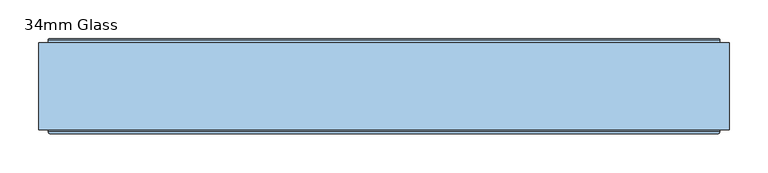
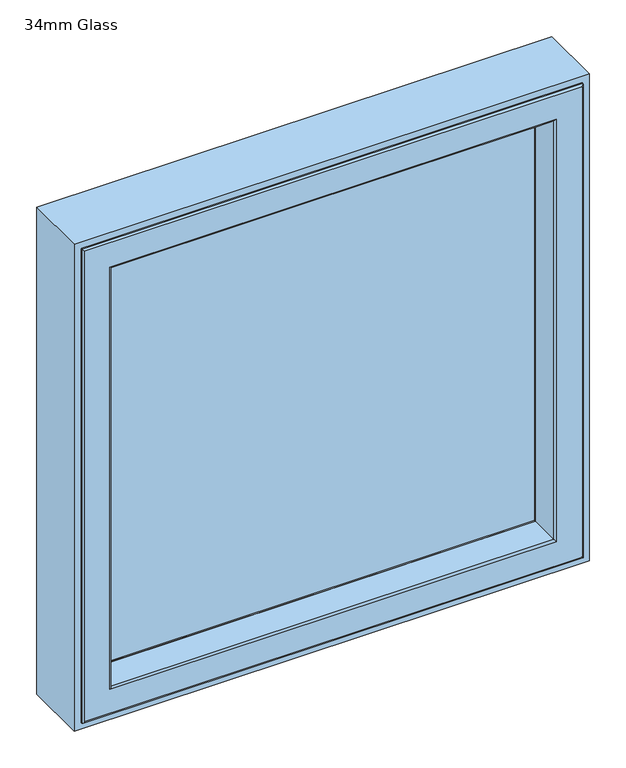
"""IFC4 building model written with IfcOpenShell, lengths in millimetres: window geometry, 34mm Glass."""

from ifc_helpers import new_model, si_unit, frame, origin, place, context, project, spatial, polyline, ellipse_curve, outline, extrude, source, transform, mapped, element, save
from ifc_brep_helpers import plane_surface, cylinder_surface, revolved_surface, advanced_brep


def window_34mm_glass_a87c6142(model_context):
    return source(origin(), model_context, "Body", "SolidModel", [
        extrude(outline(polyline([(396.0, 93.010944), (-396.0, 93.010944), (-396.0, 127.010944), (396.0, 127.010944), (396.0, 93.010944)])), frame((0.0, 0.0, 848.0), z_axis=(0.0, 0.0, 1.0), x_axis=(1.0, 0.0, 0.0)), (0.0, 0.0, 1.0), 792.0),
        advanced_brep(
        [(382.0, 128.3448353, 1626.0), (389.1686313, 151.7923717, 1633.1686313), (389.1686313, 151.7923717, 854.8313687), (382.0, 128.3448353, 862.0), (382.0, 127.010944, 1626.0), (382.0, 127.010944, 862.0), (396.0, 93.0, 1640.0), (396.0, 127.010944, 1640.0), (396.0, 127.010944, 848.0), (396.0, 93.0, 848.0), (382.0, 90.0, 1626.0), (382.0, 93.0, 1626.0), (382.0, 93.0, 862.0), (382.0, 90.0, 862.0), (406.822025, 145.5609347, 1650.822025), (400.0, 90.0, 1644.0), (400.0, 90.0, 844.0), (406.822025, 145.5609347, 837.177975), (407.6, 147.2, 1651.6), (407.6, 147.2, 836.4), (407.6, 150.5, 1651.6), (407.6, 150.5, 836.4), (403.22, 151.5, 1647.22), (403.22, 150.5, 1647.22), (403.22, 150.5, 840.78), (403.22, 151.5, 840.78), (402.22, 152.5, 1646.22), (402.22, 152.5, 841.78), (390.124936, 152.5, 1634.124936), (390.124936, 152.5, 853.875064), (-389.1686313, 151.7923717, 854.8313687), (-382.0, 128.3448353, 862.0), (-382.0, 127.010944, 862.0), (-396.0, 127.010944, 848.0), (-396.0, 93.0, 848.0), (-382.0, 93.0, 862.0), (-382.0, 90.0, 862.0), (-400.0, 90.0, 844.0), (-406.822025, 145.5609347, 837.177975), (-407.6, 147.2, 836.4), (-407.6, 150.5, 836.4), (-403.22, 150.5, 840.78), (-403.22, 151.5, 840.78), (-402.22, 152.5, 841.78), (-390.124936, 152.5, 853.875064), (-389.1686313, 151.7923717, 1633.1686313), (-382.0, 128.3448353, 1626.0), (-382.0, 127.010944, 1626.0), (-396.0, 127.010944, 1640.0), (-396.0, 93.0, 1640.0), (-382.0, 93.0, 1626.0), (-382.0, 90.0, 1626.0), (-400.0, 90.0, 1644.0), (-406.822025, 145.5609347, 1650.822025), (-407.6, 147.2, 1651.6), (-407.6, 150.5, 1651.6), (-403.22, 150.5, 1647.22), (-403.22, 151.5, 1647.22), (-402.22, 152.5, 1646.22), (-390.124936, 152.5, 1634.124936)],
        [
            (0, 1),
            (1, 2),
            (2, 3),
            (3, 0),
            (4, 0),
            (3, 5),
            (5, 4),
            (6, 7),
            (7, 8),
            (8, 9),
            (9, 6),
            (10, 11),
            (11, 12),
            (12, 13),
            (13, 10),
            (14, 15),
            (15, 16),
            (16, 17),
            (17, 14),
            (18, 14),
            (17, 19),
            (19, 18),
            (20, 18),
            (19, 21),
            (21, 20),
            (22, 23),
            (23, 24),
            (24, 25),
            (25, 22),
            (26, 22, ellipse_curve(frame((402.22, 151.5, 1646.22), z_axis=(0.7071067811865475, 0.0, -0.7071067811865475), x_axis=(0.7071067811865474, 0.0, 0.7071067811865476)), 1.4142136, 1.0)),
            (25, 27, ellipse_curve(frame((402.22, 151.5, 841.78), z_axis=(0.7071067811865475, 0.0, 0.7071067811865475), x_axis=(-0.7071067811865474, 0.0, 0.7071067811865476)), 1.4142136, 1.0)),
            (27, 26),
            (1, 28, ellipse_curve(frame((390.124936, 151.5, 1634.124936), z_axis=(0.7071067811865475, 0.0, -0.7071067811865475), x_axis=(0.7071067811865474, 0.0, 0.7071067811865476)), 1.4142136, 1.0)),
            (28, 29),
            (29, 2, ellipse_curve(frame((390.124936, 151.5, 853.875064), z_axis=(0.7071067811865475, 0.0, 0.7071067811865475), x_axis=(-0.7071067811865474, 0.0, 0.7071067811865476)), 1.4142136, 1.0)),
            (2, 30),
            (30, 31),
            (31, 3),
            (31, 32),
            (32, 5),
            (8, 33),
            (33, 34),
            (34, 9),
            (12, 35),
            (35, 36),
            (36, 13),
            (16, 37),
            (37, 38),
            (38, 17),
            (38, 39),
            (39, 19),
            (39, 40),
            (40, 21),
            (24, 41),
            (41, 42),
            (42, 25),
            (42, 43, ellipse_curve(frame((-402.22, 151.5, 841.78), z_axis=(0.7071067811865475, 0.0, -0.7071067811865475), x_axis=(0.7071067811865476, 0.0, 0.7071067811865474)), 1.4142136, 1.0)),
            (43, 27),
            (29, 44),
            (44, 30, ellipse_curve(frame((-390.124936, 151.5, 853.875064), z_axis=(0.7071067811865475, 0.0, -0.7071067811865475), x_axis=(0.7071067811865476, 0.0, 0.7071067811865474)), 1.4142136, 1.0)),
            (30, 45),
            (45, 46),
            (46, 31),
            (46, 47),
            (47, 32),
            (33, 48),
            (48, 49),
            (49, 34),
            (35, 50),
            (50, 51),
            (51, 36),
            (37, 52),
            (52, 53),
            (53, 38),
            (53, 54),
            (54, 39),
            (54, 55),
            (55, 40),
            (41, 56),
            (56, 57),
            (57, 42),
            (57, 58, ellipse_curve(frame((-402.22, 151.5, 1646.22), z_axis=(-0.7071067811865475, 0.0, -0.7071067811865475), x_axis=(0.7071067811865474, 0.0, -0.7071067811865476)), 1.4142136, 1.0)),
            (58, 43),
            (44, 59),
            (59, 45, ellipse_curve(frame((-390.124936, 151.5, 1634.124936), z_axis=(-0.7071067811865475, 0.0, -0.7071067811865475), x_axis=(0.7071067811865474, 0.0, -0.7071067811865476)), 1.4142136, 1.0)),
            (45, 1),
            (0, 46),
            (4, 47),
            (7, 48),
            (6, 49),
            (11, 50),
            (10, 51),
            (15, 52),
            (14, 53),
            (18, 54),
            (20, 55),
            (23, 56),
            (22, 57),
            (26, 58),
            (28, 59),
        ],
        [
            plane_surface(frame((389.1686313, 151.7923717, 1633.1686313), z_axis=(-0.956304755963033, 0.292371704722745, 0.0), x_axis=(0.0, 0.0, -1.0))),
            plane_surface(frame((382.0, 128.3448353, 1626.0), z_axis=(-1.0, 0.0, 0.0), x_axis=(0.0, 0.0, -1.0))),
            plane_surface(frame((396.0, 127.010944, 1640.0), z_axis=(-1.0, 0.0, 0.0), x_axis=(0.0, 0.0, -1.0))),
            plane_surface(frame((382.0, 93.0, 1626.0), z_axis=(-1.0, 0.0, 0.0), x_axis=(0.0, 0.0, -1.0))),
            plane_surface(frame((400.0, 90.0, 1644.0), z_axis=(0.9925461516413232, -0.1218693434051386, 0.0), x_axis=(0.0, 0.0, -1.0))),
            plane_surface(frame((406.822025, 145.5609347, 1650.822025), z_axis=(0.9034015732556399, -0.4287955193786835, 0.0), x_axis=(0.0, 0.0, -1.0))),
            plane_surface(frame((407.6, 147.2, 1651.6), z_axis=(1.0, 0.0, 0.0), x_axis=(0.0, 0.0, -1.0))),
            plane_surface(frame((403.22, 150.5, 1647.22), z_axis=(1.0, 0.0, 0.0), x_axis=(0.0, 0.0, -1.0))),
            cylinder_surface(frame((402.22, 151.5, 1676.0), z_axis=(0.0, 0.0, 1.0), x_axis=(0.0, -1.0, 0.0)), 1.0),
            cylinder_surface(frame((390.124936, 151.5, 1676.0), z_axis=(0.0, 0.0, 1.0), x_axis=(0.0, -1.0, 0.0)), 1.0),
            plane_surface(frame((389.1686313, 151.7923717, 854.8313687), z_axis=(0.0, 0.292371704722745, 0.956304755963033), x_axis=(-1.0, 0.0, 0.0))),
            plane_surface(frame((382.0, 128.3448353, 862.0), z_axis=(0.0, 0.0, 1.0), x_axis=(-1.0, 0.0, 0.0))),
            plane_surface(frame((396.0, 127.010944, 848.0), z_axis=(0.0, 0.0, 1.0), x_axis=(-1.0, 0.0, 0.0))),
            plane_surface(frame((382.0, 93.0, 862.0), z_axis=(0.0, 0.0, 1.0), x_axis=(-1.0, 0.0, 0.0))),
            plane_surface(frame((400.0, 90.0, 844.0), z_axis=(0.0, -0.1218693434051386, -0.9925461516413232), x_axis=(-1.0, 0.0, 0.0))),
            plane_surface(frame((406.822025, 145.5609347, 837.177975), z_axis=(0.0, -0.4287955193786835, -0.9034015732556399), x_axis=(-1.0, 0.0, 0.0))),
            plane_surface(frame((407.6, 147.2, 836.4), z_axis=(0.0, 0.0, -1.0), x_axis=(-1.0, 0.0, 0.0))),
            plane_surface(frame((403.22, 150.5, 840.78), z_axis=(0.0, 0.0, -1.0), x_axis=(-1.0, 0.0, 0.0))),
            cylinder_surface(frame((432.0, 151.5, 841.78), z_axis=(1.0, 0.0, 0.0), x_axis=(0.0, -1.0, 0.0)), 1.0),
            cylinder_surface(frame((432.0, 151.5, 853.875064), z_axis=(1.0, 0.0, 0.0), x_axis=(0.0, -1.0, 0.0)), 1.0),
            plane_surface(frame((-389.1686313, 151.7923717, 854.8313687), z_axis=(0.956304755963033, 0.292371704722745, 0.0), x_axis=(0.0, 0.0, 1.0))),
            plane_surface(frame((-382.0, 128.3448353, 862.0), z_axis=(1.0, 0.0, 0.0), x_axis=(0.0, 0.0, 1.0))),
            plane_surface(frame((-396.0, 127.010944, 848.0), z_axis=(1.0, 0.0, 0.0), x_axis=(0.0, 0.0, 1.0))),
            plane_surface(frame((-382.0, 93.0, 862.0), z_axis=(1.0, 0.0, 0.0), x_axis=(0.0, 0.0, 1.0))),
            plane_surface(frame((-400.0, 90.0, 844.0), z_axis=(-0.9925461516413232, -0.1218693434051386, 0.0), x_axis=(0.0, 0.0, 1.0))),
            plane_surface(frame((-406.822025, 145.5609347, 837.177975), z_axis=(-0.9034015732556399, -0.4287955193786835, 0.0), x_axis=(0.0, 0.0, 1.0))),
            plane_surface(frame((-407.6, 147.2, 836.4), z_axis=(-1.0, 0.0, 0.0), x_axis=(0.0, 0.0, 1.0))),
            plane_surface(frame((-403.22, 150.5, 840.78), z_axis=(-1.0, 0.0, 0.0), x_axis=(0.0, 0.0, 1.0))),
            cylinder_surface(frame((-402.22, 151.5, 812.0), z_axis=(0.0, 0.0, -1.0), x_axis=(0.0, -1.0, 0.0)), 1.0),
            cylinder_surface(frame((-390.124936, 151.5, 812.0), z_axis=(0.0, 0.0, -1.0), x_axis=(0.0, -1.0, 0.0)), 1.0),
            plane_surface(frame((-389.1686313, 151.7923717, 1633.1686313), z_axis=(0.0, 0.292371704722745, -0.956304755963033), x_axis=(1.0, 0.0, 0.0))),
            plane_surface(frame((-382.0, 128.3448353, 1626.0), z_axis=(0.0, 0.0, -1.0), x_axis=(1.0, 0.0, 0.0))),
            plane_surface(frame((-382.0, 127.010944, 1626.0), z_axis=(0.0, -1.0, 0.0), x_axis=(1.0, 0.0, 0.0))),
            plane_surface(frame((-396.0, 127.010944, 1640.0), z_axis=(0.0, 0.0, -1.0), x_axis=(1.0, 0.0, 0.0))),
            plane_surface(frame((-396.0, 93.0, 1640.0), z_axis=(0.0, 1.0, 0.0), x_axis=(1.0, 0.0, 0.0))),
            plane_surface(frame((-382.0, 93.0, 1626.0), z_axis=(0.0, 0.0, -1.0), x_axis=(1.0, 0.0, 0.0))),
            plane_surface(frame((-382.0, 90.0, 1626.0), z_axis=(0.0, -1.0, 0.0), x_axis=(1.0, 0.0, 0.0))),
            plane_surface(frame((-400.0, 90.0, 1644.0), z_axis=(0.0, -0.1218693434051386, 0.9925461516413232), x_axis=(1.0, 0.0, 0.0))),
            plane_surface(frame((-406.822025, 145.5609347, 1650.822025), z_axis=(0.0, -0.4287955193786835, 0.9034015732556399), x_axis=(1.0, 0.0, 0.0))),
            plane_surface(frame((-407.6, 147.2, 1651.6), z_axis=(0.0, 0.0, 1.0), x_axis=(1.0, 0.0, 0.0))),
            plane_surface(frame((-407.6, 150.5, 1651.6), z_axis=(0.0, 1.0, 0.0), x_axis=(1.0, 0.0, 0.0))),
            plane_surface(frame((-403.22, 150.5, 1647.22), z_axis=(0.0, 0.0, 1.0), x_axis=(1.0, 0.0, 0.0))),
            cylinder_surface(frame((-432.0, 151.5, 1646.22), z_axis=(-1.0, 0.0, 0.0), x_axis=(0.0, -1.0, 0.0)), 1.0),
            plane_surface(frame((-402.22, 152.5, 1646.22), z_axis=(0.0, 1.0, 0.0), x_axis=(1.0, 0.0, 0.0))),
            cylinder_surface(frame((-432.0, 151.5, 1634.124936), z_axis=(-1.0, 0.0, 0.0), x_axis=(0.0, -1.0, 0.0)), 1.0),
        ],
        [
            (0, [[1, 2, 3, 4]]),
            (1, [[5, -4, 6, 7]]),
            (2, [[8, 9, 10, 11]]),
            (3, [[12, 13, 14, 15]]),
            (4, [[16, 17, 18, 19]]),
            (5, [[20, -19, 21, 22]]),
            (6, [[23, -22, 24, 25]]),
            (7, [[26, 27, 28, 29]]),
            (8, [[30, -29, 31, 32]]),
            (9, [[33, 34, 35, -2]]),
            (10, [[-3, 36, 37, 38]]),
            (11, [[-6, -38, 39, 40]]),
            (12, [[-10, 41, 42, 43]]),
            (13, [[-14, 44, 45, 46]]),
            (14, [[-18, 47, 48, 49]]),
            (15, [[-21, -49, 50, 51]]),
            (16, [[-24, -51, 52, 53]]),
            (17, [[-28, 54, 55, 56]]),
            (18, [[-31, -56, 57, 58]]),
            (19, [[-35, 59, 60, -36]]),
            (20, [[-37, 61, 62, 63]]),
            (21, [[-39, -63, 64, 65]]),
            (22, [[-42, 66, 67, 68]]),
            (23, [[-45, 69, 70, 71]]),
            (24, [[-48, 72, 73, 74]]),
            (25, [[-50, -74, 75, 76]]),
            (26, [[-52, -76, 77, 78]]),
            (27, [[-55, 79, 80, 81]]),
            (28, [[-57, -81, 82, 83]]),
            (29, [[-60, 84, 85, -61]]),
            (30, [[-62, 86, -1, 87]]),
            (31, [[-64, -87, -5, 88]]),
            (32, [[89, -66, -41, -9], [-40, -65, -88, -7]]),
            (33, [[-67, -89, -8, 90]]),
            (34, [[-43, -68, -90, -11], [91, -69, -44, -13]]),
            (35, [[-70, -91, -12, 92]]),
            (36, [[93, -72, -47, -17], [-46, -71, -92, -15]]),
            (37, [[-73, -93, -16, 94]]),
            (38, [[-75, -94, -20, 95]]),
            (39, [[-77, -95, -23, 96]]),
            (40, [[-53, -78, -96, -25], [97, -79, -54, -27]]),
            (41, [[-80, -97, -26, 98]]),
            (42, [[-82, -98, -30, 99]]),
            (43, [[-58, -83, -99, -32], [100, -84, -59, -34]]),
            (44, [[-85, -100, -33, -86]]),
        ],
    ),
        advanced_brep(
        [(-383.5, 91.0, 1627.5), (-382.0, 89.5, 1626.0), (-382.0, 89.5, 862.0), (-383.5, 91.0, 860.5), (-382.0, 35.0, 1626.0), (-382.0, 35.0, 862.0), (382.0, 89.5, 862.0), (383.5, 91.0, 860.5), (398.6498733, 91.0, 1642.6498733), (398.6498733, 91.0, 845.3501267), (-398.6498733, 91.0, 845.3501267), (-398.6498733, 91.0, 1642.6498733), (383.5, 91.0, 1627.5), (-400.1386925, 92.317196, 1644.1386925), (-400.1386925, 92.317196, 843.8613075), (400.1386925, 92.317196, 843.8613075), (-406.7857488, 146.453125, 1650.7857488), (-406.7857488, 146.453125, 837.2142512), (406.7857488, 146.453125, 837.2142512), (407.6, 146.453125, 1651.6), (407.6, 146.453125, 836.4), (-407.6, 146.453125, 836.4), (-407.6, 146.453125, 1651.6), (406.7857488, 146.453125, 1650.7857488), (-407.6, 153.0, 1651.6), (-407.6, 153.0, 836.4), (407.6, 153.0, 836.4), (-408.6, 154.0, 1652.6), (-408.6, 154.0, 835.4), (408.6, 154.0, 835.4), (431.0, 154.0, 1675.0), (431.0, 154.0, 813.0), (-431.0, 154.0, 813.0), (-431.0, 154.0, 1675.0), (408.6, 154.0, 1652.6), (-432.0, 153.0, 1676.0), (-432.0, 153.0, 812.0), (432.0, 153.0, 812.0), (-432.0, 35.0, 1676.0), (-432.0, 35.0, 812.0), (432.0, 35.0, 812.0), (-429.0, 32.0, 1673.0), (-429.0, 32.0, 815.0), (429.0, 32.0, 815.0), (429.0, 32.0, 1673.0), (385.0, 32.0, 1629.0), (385.0, 32.0, 859.0), (-385.0, 32.0, 859.0), (-385.0, 32.0, 1629.0), (382.0, 35.0, 862.0), (382.0, 89.5, 1626.0), (400.1386925, 92.317196, 1644.1386925), (407.6, 153.0, 1651.6), (432.0, 153.0, 1676.0), (432.0, 35.0, 1676.0), (382.0, 35.0, 1626.0)],
        [
            (0, 1, ellipse_curve(frame((-383.5, 89.5, 1627.5), z_axis=(-0.7071067811865475, 0.0, -0.7071067811865475), x_axis=(-0.7071067811865474, 0.0, 0.7071067811865476)), 2.1213203, 1.5)),
            (1, 2),
            (2, 3, ellipse_curve(frame((-383.5, 89.5, 860.5), z_axis=(-0.7071067811865475, 0.0, 0.7071067811865475), x_axis=(0.7071067811865474, 0.0, 0.7071067811865476)), 2.1213203, 1.5)),
            (3, 0),
            (1, 4),
            (4, 5),
            (5, 2),
            (2, 6),
            (6, 7, ellipse_curve(frame((383.5, 89.5, 860.5), z_axis=(-0.7071067811865475, 0.0, -0.7071067811865475), x_axis=(-0.7071067811865476, 0.0, 0.7071067811865474)), 2.1213203, 1.5)),
            (7, 3),
            (8, 9),
            (9, 10),
            (10, 11),
            (11, 8),
            (7, 12),
            (12, 0),
            (13, 11, ellipse_curve(frame((-398.6498733, 92.5, 1642.6498733), z_axis=(0.7071067811865475, 0.0, 0.7071067811865475), x_axis=(0.7071067811865474, 0.0, -0.7071067811865476)), 2.1213203, 1.5)),
            (10, 14, ellipse_curve(frame((-398.6498733, 92.5, 845.3501267), z_axis=(0.7071067811865475, 0.0, -0.7071067811865475), x_axis=(-0.7071067811865474, 0.0, -0.7071067811865476)), 2.1213203, 1.5)),
            (14, 13),
            (9, 15, ellipse_curve(frame((398.6498733, 92.5, 845.3501267), z_axis=(0.7071067811865475, 0.0, 0.7071067811865475), x_axis=(0.7071067811865476, 0.0, -0.7071067811865474)), 2.1213203, 1.5)),
            (15, 14),
            (16, 13),
            (14, 17),
            (17, 16),
            (15, 18),
            (18, 17),
            (19, 20),
            (20, 21),
            (21, 22),
            (22, 19),
            (18, 23),
            (23, 16),
            (24, 22),
            (21, 25),
            (25, 24),
            (20, 26),
            (26, 25),
            (27, 24, ellipse_curve(frame((-408.6, 153.0, 1652.6), z_axis=(-0.7071067811865475, 0.0, -0.7071067811865475), x_axis=(-0.7071067811865474, 0.0, 0.7071067811865476)), 1.4142136, 1.0)),
            (25, 28, ellipse_curve(frame((-408.6, 153.0, 835.4), z_axis=(-0.7071067811865475, 0.0, 0.7071067811865475), x_axis=(0.7071067811865474, 0.0, 0.7071067811865476)), 1.4142136, 1.0)),
            (28, 27),
            (26, 29, ellipse_curve(frame((408.6, 153.0, 835.4), z_axis=(-0.7071067811865475, 0.0, -0.7071067811865475), x_axis=(-0.7071067811865476, 0.0, 0.7071067811865474)), 1.4142136, 1.0)),
            (29, 28),
            (30, 31),
            (31, 32),
            (32, 33),
            (33, 30),
            (29, 34),
            (34, 27),
            (35, 33, ellipse_curve(frame((-431.0, 153.0, 1675.0), z_axis=(-0.7071067811865475, 0.0, -0.7071067811865475), x_axis=(-0.7071067811865474, 0.0, 0.7071067811865476)), 1.4142136, 1.0)),
            (32, 36, ellipse_curve(frame((-431.0, 153.0, 813.0), z_axis=(-0.7071067811865475, 0.0, 0.7071067811865475), x_axis=(0.7071067811865474, 0.0, 0.7071067811865476)), 1.4142136, 1.0)),
            (36, 35),
            (31, 37, ellipse_curve(frame((431.0, 153.0, 813.0), z_axis=(-0.7071067811865475, 0.0, -0.7071067811865475), x_axis=(-0.7071067811865476, 0.0, 0.7071067811865474)), 1.4142136, 1.0)),
            (37, 36),
            (38, 35),
            (36, 39),
            (39, 38),
            (37, 40),
            (40, 39),
            (41, 38, ellipse_curve(frame((-429.0, 35.0, 1673.0), z_axis=(-0.7071067811865475, 0.0, -0.7071067811865475), x_axis=(-0.7071067811865474, 0.0, 0.7071067811865476)), 4.2426407, 3.0)),
            (39, 42, ellipse_curve(frame((-429.0, 35.0, 815.0), z_axis=(-0.7071067811865475, 0.0, 0.7071067811865475), x_axis=(0.7071067811865474, 0.0, 0.7071067811865476)), 4.2426407, 3.0)),
            (42, 41),
            (40, 43, ellipse_curve(frame((429.0, 35.0, 815.0), z_axis=(-0.7071067811865475, 0.0, -0.7071067811865475), x_axis=(-0.7071067811865476, 0.0, 0.7071067811865474)), 4.2426407, 3.0)),
            (43, 42),
            (43, 44),
            (44, 41),
            (45, 46),
            (46, 47),
            (47, 48),
            (48, 45),
            (4, 48, ellipse_curve(frame((-385.0, 35.0, 1629.0), z_axis=(-0.7071067811865475, 0.0, -0.7071067811865475), x_axis=(-0.7071067811865474, 0.0, 0.7071067811865476)), 4.2426407, 3.0)),
            (47, 5, ellipse_curve(frame((-385.0, 35.0, 859.0), z_axis=(-0.7071067811865475, 0.0, 0.7071067811865475), x_axis=(0.7071067811865474, 0.0, 0.7071067811865476)), 4.2426407, 3.0)),
            (46, 49, ellipse_curve(frame((385.0, 35.0, 859.0), z_axis=(-0.7071067811865475, 0.0, -0.7071067811865475), x_axis=(-0.7071067811865476, 0.0, 0.7071067811865474)), 4.2426407, 3.0)),
            (49, 5),
            (49, 6),
            (6, 50),
            (50, 12, ellipse_curve(frame((383.5, 89.5, 1627.5), z_axis=(0.7071067811865475, 0.0, -0.7071067811865475), x_axis=(-0.7071067811865474, 0.0, -0.7071067811865476)), 2.1213203, 1.5)),
            (8, 51, ellipse_curve(frame((398.6498733, 92.5, 1642.6498733), z_axis=(-0.7071067811865475, 0.0, 0.7071067811865475), x_axis=(0.7071067811865474, 0.0, 0.7071067811865476)), 2.1213203, 1.5)),
            (51, 15),
            (51, 23),
            (19, 52),
            (52, 26),
            (52, 34, ellipse_curve(frame((408.6, 153.0, 1652.6), z_axis=(0.7071067811865475, 0.0, -0.7071067811865475), x_axis=(-0.7071067811865474, 0.0, -0.7071067811865476)), 1.4142136, 1.0)),
            (30, 53, ellipse_curve(frame((431.0, 153.0, 1675.0), z_axis=(0.7071067811865475, 0.0, -0.7071067811865475), x_axis=(-0.7071067811865474, 0.0, -0.7071067811865476)), 1.4142136, 1.0)),
            (53, 37),
            (53, 54),
            (54, 40),
            (54, 44, ellipse_curve(frame((429.0, 35.0, 1673.0), z_axis=(0.7071067811865475, 0.0, -0.7071067811865475), x_axis=(-0.7071067811865474, 0.0, -0.7071067811865476)), 4.2426407, 3.0)),
            (45, 55, ellipse_curve(frame((385.0, 35.0, 1629.0), z_axis=(0.7071067811865475, 0.0, -0.7071067811865475), x_axis=(-0.7071067811865474, 0.0, -0.7071067811865476)), 4.2426407, 3.0)),
            (55, 49),
            (55, 50),
            (50, 1),
            (13, 51),
            (24, 52),
            (35, 53),
            (38, 54),
            (4, 55),
        ],
        [
            cylinder_surface(frame((-383.5, 89.5, 1688.0), z_axis=(0.0, 0.0, 1.0), x_axis=(0.0, 1.0, 0.0)), 1.5),
            plane_surface(frame((-382.0, 35.0, 1626.0), z_axis=(1.0, 0.0, 0.0), x_axis=(0.0, 0.0, -1.0))),
            cylinder_surface(frame((-444.0, 89.5, 860.5), z_axis=(-1.0, 0.0, 0.0), x_axis=(0.0, 1.0, 0.0)), 1.5),
            plane_surface(frame((383.5, 91.0, 860.5), z_axis=(0.0, 1.0, 0.0), x_axis=(0.0, 0.0, 1.0))),
            revolved_surface(polyline([(-398.6498733, 94.0, 843.8501267308013), (-398.6498733, 94.0, 1644.1498732691987)]), (-398.6498733, 92.5, 1688.0), (0.0, 0.0, -1.0)),
            revolved_surface(polyline([(400.1498732691988, 94.0, 845.3501267), (-400.1498732691987, 94.0, 845.3501267)]), (-444.0, 92.5, 845.3501267), (1.0, 0.0, 0.0)),
            plane_surface(frame((-400.1386925, 92.317196, 1644.1386925), z_axis=(0.9925461516413234, 0.12186934340513697, 0.0), x_axis=(0.0, 0.0, -1.0))),
            plane_surface(frame((-400.1386925, 92.317196, 843.8613075), z_axis=(0.0, 0.12186934340513697, 0.9925461516413234), x_axis=(1.0, 0.0, 0.0))),
            plane_surface(frame((406.7857488, 146.453125, 837.2142512), z_axis=(0.0, 1.0, 0.0), x_axis=(0.0, 0.0, 1.0))),
            plane_surface(frame((-407.6, 146.453125, 1651.6), z_axis=(1.0, 0.0, 0.0), x_axis=(0.0, 0.0, -1.0))),
            plane_surface(frame((-407.6, 146.453125, 836.4), z_axis=(0.0, 0.0, 1.0), x_axis=(1.0, 0.0, 0.0))),
            cylinder_surface(frame((-408.6, 153.0, 1688.0), z_axis=(0.0, 0.0, 1.0), x_axis=(0.0, 1.0, 0.0)), 1.0),
            cylinder_surface(frame((-444.0, 153.0, 835.4), z_axis=(-1.0, 0.0, 0.0), x_axis=(0.0, 1.0, 0.0)), 1.0),
            plane_surface(frame((408.6, 154.0, 835.4), z_axis=(0.0, 1.0, 0.0), x_axis=(0.0, 0.0, 1.0))),
            cylinder_surface(frame((-431.0, 153.0, 1688.0), z_axis=(0.0, 0.0, 1.0), x_axis=(0.0, 1.0, 0.0)), 1.0),
            cylinder_surface(frame((-444.0, 153.0, 813.0), z_axis=(-1.0, 0.0, 0.0), x_axis=(0.0, 1.0, 0.0)), 1.0),
            plane_surface(frame((-432.0, 153.0, 1676.0), z_axis=(-1.0, 0.0, 0.0), x_axis=(0.0, 0.0, -1.0))),
            plane_surface(frame((-432.0, 153.0, 812.0), z_axis=(0.0, 0.0, -1.0), x_axis=(1.0, 0.0, 0.0))),
            cylinder_surface(frame((-429.0, 35.0, 1688.0), z_axis=(0.0, 0.0, 1.0), x_axis=(0.0, 1.0, 0.0)), 3.0),
            cylinder_surface(frame((-444.0, 35.0, 815.0), z_axis=(-1.0, 0.0, 0.0), x_axis=(0.0, 1.0, 0.0)), 3.0),
            plane_surface(frame((429.0, 32.0, 815.0), z_axis=(0.0, -1.0, 0.0), x_axis=(0.0, 0.0, 1.0))),
            cylinder_surface(frame((-385.0, 35.0, 1688.0), z_axis=(0.0, 0.0, 1.0), x_axis=(0.0, 1.0, 0.0)), 3.0),
            cylinder_surface(frame((-444.0, 35.0, 859.0), z_axis=(-1.0, 0.0, 0.0), x_axis=(0.0, 1.0, 0.0)), 3.0),
            plane_surface(frame((-382.0, 35.0, 862.0), z_axis=(0.0, 0.0, 1.0), x_axis=(1.0, 0.0, 0.0))),
            cylinder_surface(frame((383.5, 89.5, 800.0), z_axis=(0.0, 0.0, -1.0), x_axis=(0.0, 1.0, 0.0)), 1.5),
            revolved_surface(polyline([(398.6498733, 94.0, 1644.149873269199), (398.6498733, 94.0, 843.8501267308013)]), (398.6498733, 92.5, 800.0), (0.0, 0.0, 1.0)),
            plane_surface(frame((400.1386925, 92.317196, 843.8613075), z_axis=(-0.9925461516413234, 0.12186934340513697, 0.0), x_axis=(0.0, 0.0, 1.0))),
            plane_surface(frame((407.6, 146.453125, 836.4), z_axis=(-1.0, 0.0, 0.0), x_axis=(0.0, 0.0, 1.0))),
            cylinder_surface(frame((408.6, 153.0, 800.0), z_axis=(0.0, 0.0, -1.0), x_axis=(0.0, 1.0, 0.0)), 1.0),
            cylinder_surface(frame((431.0, 153.0, 800.0), z_axis=(0.0, 0.0, -1.0), x_axis=(0.0, 1.0, 0.0)), 1.0),
            plane_surface(frame((432.0, 153.0, 812.0), z_axis=(1.0, 0.0, 0.0), x_axis=(0.0, 0.0, 1.0))),
            cylinder_surface(frame((429.0, 35.0, 800.0), z_axis=(0.0, 0.0, -1.0), x_axis=(0.0, 1.0, 0.0)), 3.0),
            cylinder_surface(frame((385.0, 35.0, 800.0), z_axis=(0.0, 0.0, -1.0), x_axis=(0.0, 1.0, 0.0)), 3.0),
            plane_surface(frame((382.0, 35.0, 862.0), z_axis=(-1.0, 0.0, 0.0), x_axis=(0.0, 0.0, 1.0))),
            cylinder_surface(frame((444.0, 89.5, 1627.5), z_axis=(1.0, 0.0, 0.0), x_axis=(0.0, 1.0, 0.0)), 1.5),
            revolved_surface(polyline([(-400.1498732691988, 94.0, 1642.6498733), (400.1498732691987, 94.0, 1642.6498733)]), (444.0, 92.5, 1642.6498733), (-1.0, 0.0, 0.0)),
            plane_surface(frame((400.1386925, 92.317196, 1644.1386925), z_axis=(0.0, 0.12186934340513697, -0.9925461516413234), x_axis=(-1.0, 0.0, 0.0))),
            plane_surface(frame((407.6, 146.453125, 1651.6), z_axis=(0.0, 0.0, -1.0), x_axis=(-1.0, 0.0, 0.0))),
            cylinder_surface(frame((444.0, 153.0, 1652.6), z_axis=(1.0, 0.0, 0.0), x_axis=(0.0, 1.0, 0.0)), 1.0),
            cylinder_surface(frame((444.0, 153.0, 1675.0), z_axis=(1.0, 0.0, 0.0), x_axis=(0.0, 1.0, 0.0)), 1.0),
            plane_surface(frame((432.0, 153.0, 1676.0), z_axis=(0.0, 0.0, 1.0), x_axis=(-1.0, 0.0, 0.0))),
            cylinder_surface(frame((444.0, 35.0, 1673.0), z_axis=(1.0, 0.0, 0.0), x_axis=(0.0, 1.0, 0.0)), 3.0),
            cylinder_surface(frame((444.0, 35.0, 1629.0), z_axis=(1.0, 0.0, 0.0), x_axis=(0.0, 1.0, 0.0)), 3.0),
            plane_surface(frame((382.0, 35.0, 1626.0), z_axis=(0.0, 0.0, -1.0), x_axis=(-1.0, 0.0, 0.0))),
        ],
        [
            (0, [[1, 2, 3, 4]]),
            (1, [[5, 6, 7, -2]]),
            (2, [[-3, 8, 9, 10]]),
            (3, [[11, 12, 13, 14], [-4, -10, 15, 16]]),
            (4, [[17, -13, 18, 19]]),
            (5, [[-18, -12, 20, 21]]),
            (6, [[22, -19, 23, 24]]),
            (7, [[-23, -21, 25, 26]]),
            (8, [[27, 28, 29, 30], [-24, -26, 31, 32]]),
            (9, [[33, -29, 34, 35]]),
            (10, [[-34, -28, 36, 37]]),
            (11, [[38, -35, 39, 40]]),
            (12, [[-39, -37, 41, 42]]),
            (13, [[43, 44, 45, 46], [-40, -42, 47, 48]]),
            (14, [[49, -45, 50, 51]]),
            (15, [[-50, -44, 52, 53]]),
            (16, [[54, -51, 55, 56]]),
            (17, [[-55, -53, 57, 58]]),
            (18, [[59, -56, 60, 61]]),
            (19, [[-60, -58, 62, 63]]),
            (20, [[-61, -63, 64, 65], [66, 67, 68, 69]]),
            (21, [[70, -68, 71, -6]]),
            (22, [[-71, -67, 72, 73]]),
            (23, [[-7, -73, 74, -8]]),
            (24, [[-9, 75, 76, -15]]),
            (25, [[-20, -11, 77, 78]]),
            (26, [[-25, -78, 79, -31]]),
            (27, [[-36, -27, 80, 81]]),
            (28, [[-41, -81, 82, -47]]),
            (29, [[-52, -43, 83, 84]]),
            (30, [[-57, -84, 85, 86]]),
            (31, [[-62, -86, 87, -64]]),
            (32, [[-72, -66, 88, 89]]),
            (33, [[-74, -89, 90, -75]]),
            (34, [[-76, 91, -1, -16]]),
            (35, [[-77, -14, -17, 92]]),
            (36, [[-79, -92, -22, -32]]),
            (37, [[-80, -30, -33, 93]]),
            (38, [[-82, -93, -38, -48]]),
            (39, [[-83, -46, -49, 94]]),
            (40, [[-85, -94, -54, 95]]),
            (41, [[-87, -95, -59, -65]]),
            (42, [[-88, -69, -70, 96]]),
            (43, [[-90, -96, -5, -91]]),
        ],
    ),
        extrude(outline(polyline([(1688.0, -444.0), (800.0, -444.0), (800.0, 444.0), (1688.0, 444.0), (1688.0, -444.0)]), holes=[polyline([(1676.0, 432.0), (812.0, 432.0), (812.0, -432.0), (1676.0, -432.0), (1676.0, 432.0)])]), frame((0.0, 37.0, 0.0), z_axis=(0.0, 1.0, 0.0), x_axis=(0.0, 0.0, 1.0)), (0.0, 0.0, 1.0), 112.0),
    ])


if __name__ == "__main__":
    model = new_model("IFC4")
    model_context = context("Model", 3, world=origin())
    ifc_project = project(units=[si_unit("LENGTHUNIT", "METRE", prefix="MILLI")], contexts=[model_context])
    site = spatial("IfcSite", under=ifc_project)
    building = spatial("IfcBuilding", under=site)
    placement = place(None, origin())
    window_34mm_glass_shape = window_34mm_glass_a87c6142(model_context)
    element("IfcWindow", 1, ObjectType="34mm Glass", at=placement, inside=building, context=model_context, shape_type="MappedRepresentation", body=[
        mapped(window_34mm_glass_shape, transform((0.0, 0.0, 0.0), x_axis=(1.0, 0.0, 0.0), y_axis=(0.0, 1.0, 0.0), z_axis=(0.0, 0.0, 1.0))),
    ])
    save(model, "model.ifc")
